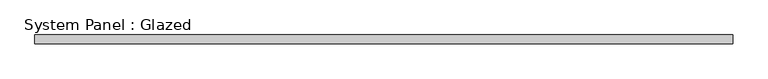
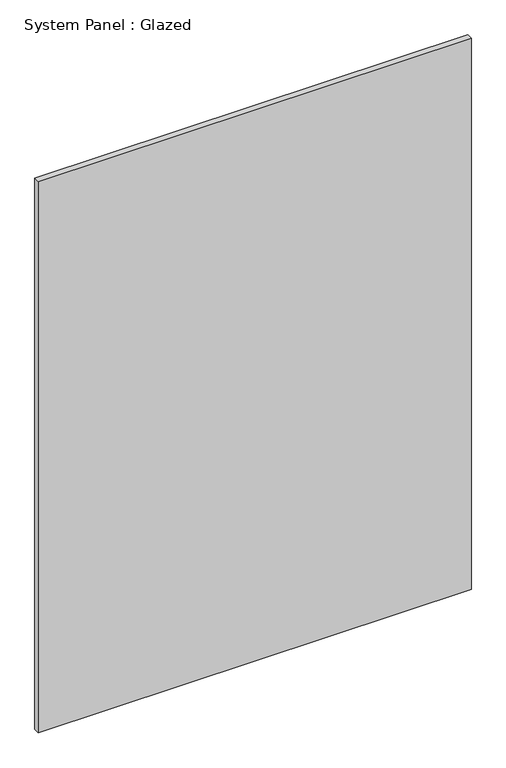
"""IFC4 building model written with IfcOpenShell, lengths in millimetres: plate geometry, System Panel : Glazed."""

from ifc_helpers import new_model, si_unit, origin, origin_with_axes, place, context, project, spatial, polyline, outline, extrude, source, transform, mapped, element, save


def system_panel_glazed_147d49c4(model_context):
    return source(origin(), model_context, "Body", "SweptSolid", [
        extrude(outline(polyline([(1000.0, 24.5), (-1000.0, 24.5), (-1000.0, 49.5), (1000.0, 49.5), (1000.0, 24.5)])), origin_with_axes(), (0.0, 0.0, 1.0), 2690.0),
    ])


if __name__ == "__main__":
    model = new_model("IFC4")
    model_context = context("Model", 3, world=origin())
    ifc_project = project(units=[si_unit("LENGTHUNIT", "METRE", prefix="MILLI")], contexts=[model_context])
    site = spatial("IfcSite", under=ifc_project)
    building = spatial("IfcBuilding", under=site)
    placement = place(None, origin())
    system_panel_glazed_shape = system_panel_glazed_147d49c4(model_context)
    element("IfcPlate", 1, ObjectType="System Panel : Glazed", at=placement, inside=building, context=model_context, shape_type="MappedRepresentation", body=[
        mapped(system_panel_glazed_shape, transform((0.0, 0.0, 0.0), x_axis=(1.0, 0.0, 0.0), y_axis=(0.0, 1.0, 0.0), z_axis=(0.0, 0.0, 1.0))),
    ])
    save(model, "model.ifc")
